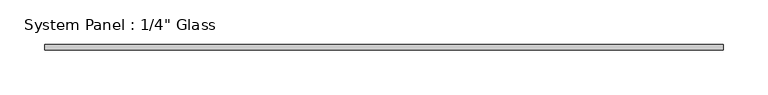
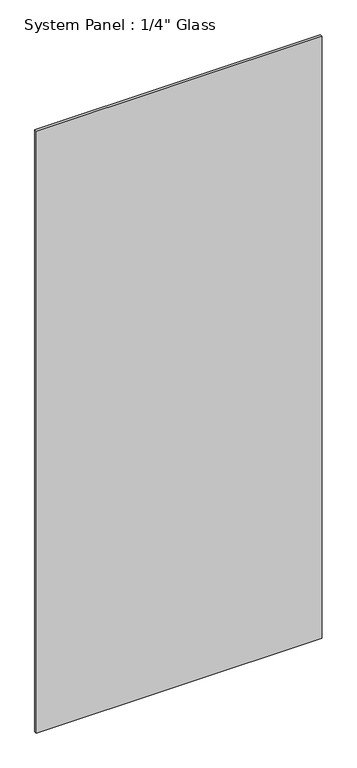
"""IFC4 building model written with IfcOpenShell, lengths in millimetres: plate geometry."""

from ifc_helpers import new_model, si_unit, origin, origin_with_axes, place, context, project, spatial, polyline, outline, extrude, source, transform, mapped, element, save


def plate_d3cf14bf(model_context):
    return source(origin(), model_context, "Body", "SweptSolid", [
        extrude(outline(polyline([(381.0, -3.175), (-381.0, -3.175), (-381.0, 3.175), (381.0, 3.175), (381.0, -3.175)])), origin_with_axes(), (0.0, 0.0, 1.0), 1695.45),
    ])


if __name__ == "__main__":
    model = new_model("IFC4")
    model_context = context("Model", 3, world=origin())
    ifc_project = project(units=[si_unit("LENGTHUNIT", "METRE", prefix="MILLI")], contexts=[model_context])
    site = spatial("IfcSite", under=ifc_project)
    building = spatial("IfcBuilding", under=site)
    placement = place(None, origin())
    plate_shape = plate_d3cf14bf(model_context)
    element("IfcPlate", 1, ObjectType="System Panel : 1/4\" Glass", at=placement, inside=building, context=model_context, shape_type="MappedRepresentation", body=[
        mapped(plate_shape, transform((0.0, 0.0, 0.0), x_axis=(1.0, 0.0, 0.0), y_axis=(0.0, 1.0, 0.0), z_axis=(0.0, 0.0, 1.0))),
    ])
    save(model, "model.ifc")
